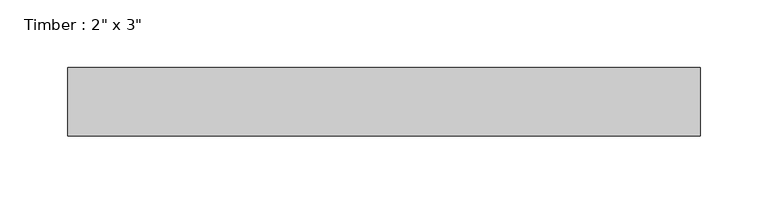
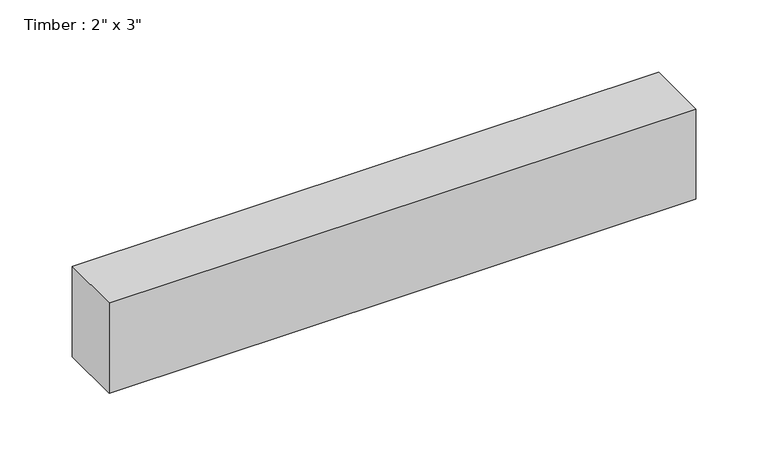
"""IFC4 building model written with IfcOpenShell, lengths in millimetres: beam geometry."""

from ifc_helpers import new_model, si_unit, frame, origin, place, context, project, spatial, polyline, outline, extrude, source, transform, mapped, element, save


def beam_85b58b98(model_context):
    return source(origin(), model_context, "Body", "SweptSolid", [
        extrude(outline(polyline([(233.6247917, -25.4), (-233.6247917, -25.4), (-233.6247917, 25.4), (233.6247917, 25.4), (233.6247917, -25.4)])), frame((0.0, 0.0, -38.1), z_axis=(0.0, 0.0, 1.0), x_axis=(1.0, 0.0, 0.0)), (0.0, 0.0, 1.0), 76.2),
    ])


if __name__ == "__main__":
    model = new_model("IFC4")
    model_context = context("Model", 3, world=origin())
    ifc_project = project(units=[si_unit("LENGTHUNIT", "METRE", prefix="MILLI")], contexts=[model_context])
    site = spatial("IfcSite", under=ifc_project)
    building = spatial("IfcBuilding", under=site)
    placement = place(None, origin())
    beam_shape = beam_85b58b98(model_context)
    element("IfcBeam", 1, ObjectType="Timber : 2\" x 3\"", at=placement, inside=building, context=model_context, shape_type="MappedRepresentation", body=[
        mapped(beam_shape, transform((0.0, 0.0, 0.0), x_axis=(1.0, 0.0, 0.0), y_axis=(0.0, 1.0, 0.0), z_axis=(0.0, 0.0, 1.0))),
    ])
    save(model, "model.ifc")
